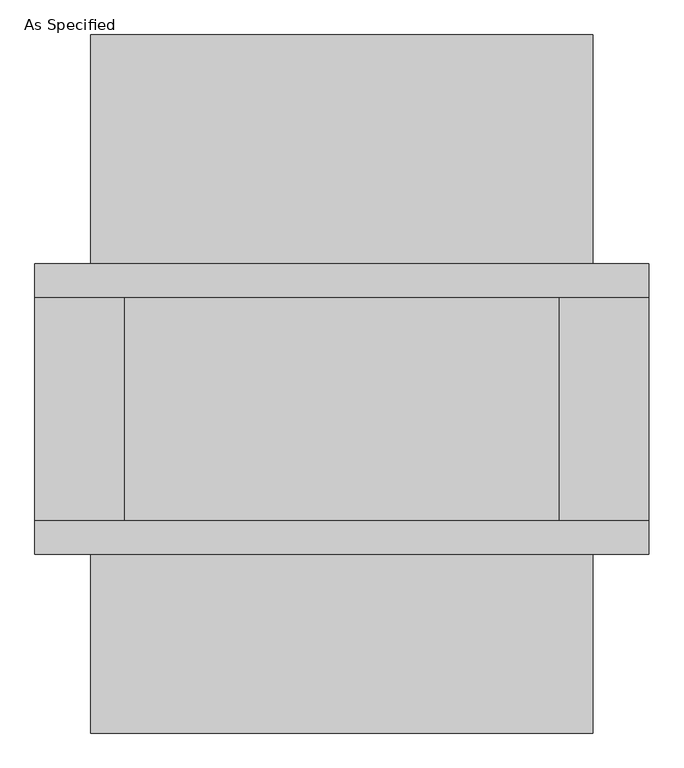
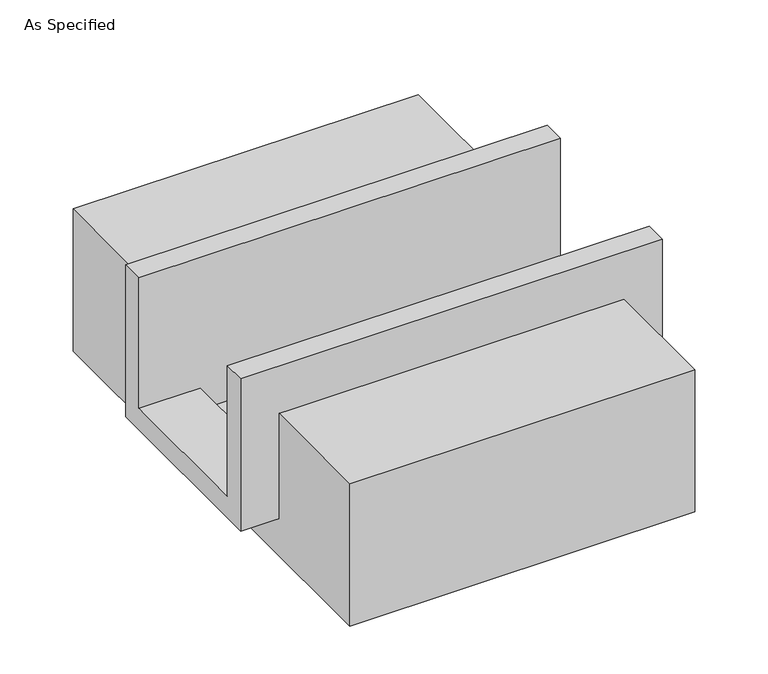
"""IFC4 building model written with IfcOpenShell, lengths in millimetres: proxy geometry, As Specified."""

from ifc_helpers import new_model, si_unit, frame, origin, place, context, project, spatial, polyline, outline, extrude, faceted_brep, source, transform, mapped, element, save


def as_specified_770654c1(model_context):
    return source(origin(), model_context, "Body", "SolidModel", [
        faceted_brep([(-698.5, 196.85, 139.7), (-698.5, 273.05, 139.7), (-698.5, 273.05, -393.7), (-698.5, -387.35, -393.7), (-698.5, -387.35, 139.7), (-698.5, -311.15, 139.7), (-698.5, -311.15, -317.5), (-698.5, 196.85, -317.5), (698.5, 196.85, 139.7), (698.5, 196.85, -317.5), (698.5, -311.15, -317.5), (698.5, -311.15, 139.7), (698.5, -387.35, 139.7), (698.5, -387.35, -393.7), (698.5, 273.05, -393.7), (698.5, 273.05, 139.7), (495.3, -311.15, -393.7), (495.3, 196.85, -393.7), (-495.3, 196.85, -393.7), (-495.3, -311.15, -393.7), (495.3, -311.15, -317.5), (-495.3, -311.15, -317.5), (-495.3, 196.85, -317.5), (495.3, 196.85, -317.5)], [[[0, 1, 2, 3, 4, 5, 6, 7]], [[8, 9, 10, 11, 12, 13, 14, 15]], [[1, 0, 8, 15]], [[2, 1, 15, 14]], [[3, 2, 14, 13], [16, 17, 18, 19]], [[4, 3, 13, 12]], [[5, 4, 12, 11]], [[6, 5, 11, 10, 20, 16, 19, 21]], [[7, 6, 21, 22]], [[10, 9, 23, 20]], [[0, 7, 22, 18, 17, 23, 9, 8]], [[16, 20, 23, 17]], [[21, 19, 18, 22]]]),
        extrude(outline(polyline([(793.75, -25.4), (793.75, -523.9742188), (-793.75, -523.9742188), (-793.75, -25.4), (-387.35, -25.4), (-387.35, -393.7), (273.05, -393.7), (273.05, -25.4), (793.75, -25.4)])), frame((-571.5, 0.0, 0.0), z_axis=(1.0, 0.0, 0.0), x_axis=(0.0, 1.0, 0.0)), (0.0, 0.0, 1.0), 1143.0),
    ])


if __name__ == "__main__":
    model = new_model("IFC4")
    model_context = context("Model", 3, world=origin())
    ifc_project = project(units=[si_unit("LENGTHUNIT", "METRE", prefix="MILLI")], contexts=[model_context])
    site = spatial("IfcSite", under=ifc_project)
    building = spatial("IfcBuilding", under=site)
    placement = place(None, origin())
    as_specified_shape = as_specified_770654c1(model_context)
    element("IfcBuildingElementProxy", 1, Name="As Specified", ObjectType="As Specified", at=placement, inside=building, context=model_context, shape_type="MappedRepresentation", body=[
        mapped(as_specified_shape, transform((0.0, 0.0, 0.0), x_axis=(1.0, 0.0, 0.0), y_axis=(0.0, 1.0, 0.0), z_axis=(0.0, 0.0, 1.0))),
    ])
    save(model, "model.ifc")
